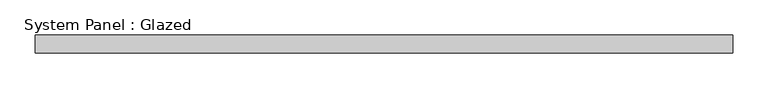
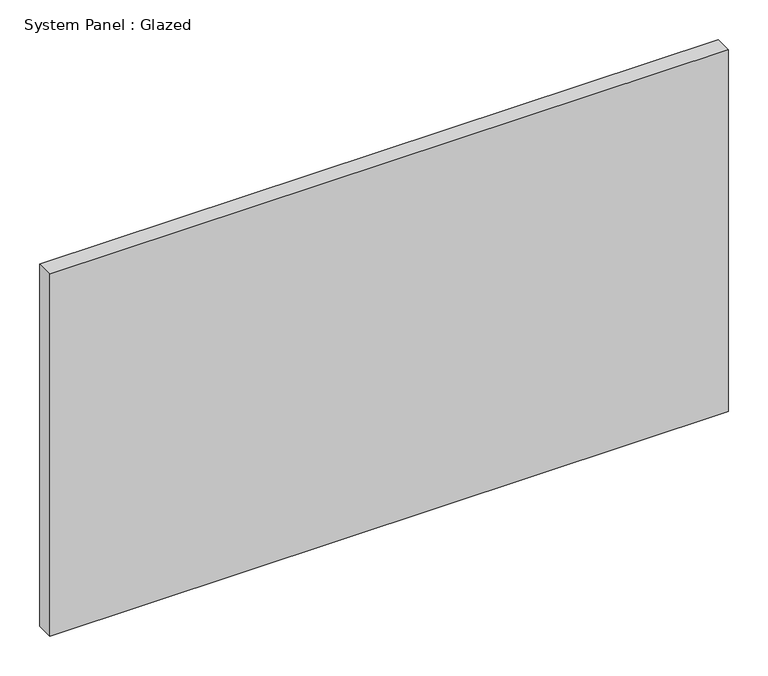
"""IFC4 building model written with IfcOpenShell, lengths in millimetres: plate geometry, System Panel : Glazed."""

from ifc_helpers import new_model, si_unit, origin, origin_with_axes, place, context, project, spatial, polyline, outline, extrude, source, transform, mapped, element, save


def system_panel_glazed_933988e4(model_context):
    return source(origin(), model_context, "Body", "SweptSolid", [
        extrude(outline(polyline([(495.3, -12.7), (-495.3, -12.7), (-495.3, 12.7), (495.3, 12.7), (495.3, -12.7)])), origin_with_axes(), (0.0, 0.0, 1.0), 558.8),
    ])


if __name__ == "__main__":
    model = new_model("IFC4")
    model_context = context("Model", 3, world=origin())
    ifc_project = project(units=[si_unit("LENGTHUNIT", "METRE", prefix="MILLI")], contexts=[model_context])
    site = spatial("IfcSite", under=ifc_project)
    building = spatial("IfcBuilding", under=site)
    placement = place(None, origin())
    system_panel_glazed_shape = system_panel_glazed_933988e4(model_context)
    element("IfcPlate", 1, ObjectType="System Panel : Glazed", at=placement, inside=building, context=model_context, shape_type="MappedRepresentation", body=[
        mapped(system_panel_glazed_shape, transform((0.0, 0.0, 0.0), x_axis=(1.0, 0.0, 0.0), y_axis=(0.0, 1.0, 0.0), z_axis=(0.0, 0.0, 1.0))),
    ])
    save(model, "model.ifc")
